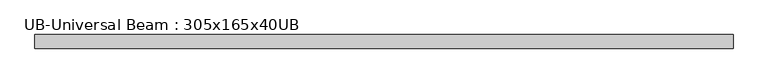
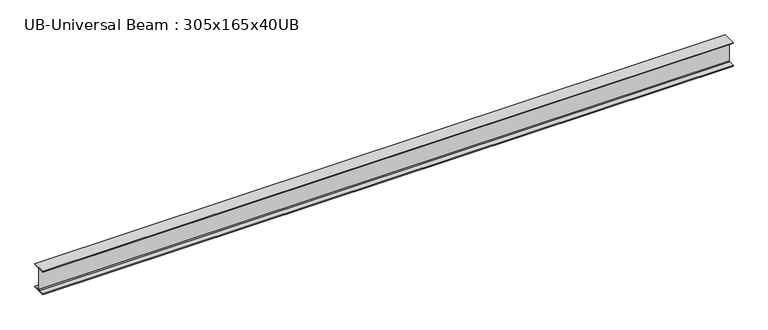
"""IFC4 building model written with IfcOpenShell, lengths in millimetres: beam geometry, UB-Universal Beam : 305x165x40UB."""

from ifc_helpers import new_model, si_unit, point, frame, frame_2d, origin, place, context, project, spatial, polyline, circle_curve, trimmed, segment, composite_curve, outline, extrude, source, transform, mapped, element, save


def ub_universal_beam_305x165x40ub_7a82d2c2(model_context):
    return source(origin(), model_context, "Body", "SweptSolid", [
        extrude(outline(composite_curve([segment(polyline([(82.5, -141.5), (82.5, -151.7), (-82.5, -151.7), (-82.5, -141.5), (-11.9, -141.5)]), True, "CONTINUOUS"), segment(trimmed(circle_curve(frame_2d((-11.9, -132.6)), 8.9), [point((-11.9, -141.5))], [point((-3.0, -132.6))], True, "CARTESIAN"), True, "CONTINUOUS"), segment(polyline([(-3.0, -132.6), (-3.0, 132.6)]), True, "CONTINUOUS"), segment(trimmed(circle_curve(frame_2d((-11.9, 132.6)), 8.9), [point((-3.0, 132.6))], [point((-11.9, 141.5))], True, "CARTESIAN"), True, "CONTINUOUS"), segment(polyline([(-11.9, 141.5), (-82.5, 141.5), (-82.5, 151.7), (82.5, 151.7), (82.5, 141.5), (11.9, 141.5)]), True, "CONTINUOUS"), segment(trimmed(circle_curve(frame_2d((11.9, 132.6)), 8.9), [point((11.9, 141.5))], [point((3.0, 132.6))], True, "CARTESIAN"), True, "CONTINUOUS"), segment(polyline([(3.0, 132.6), (3.0, -132.6)]), True, "CONTINUOUS"), segment(trimmed(circle_curve(frame_2d((11.9, -132.6)), 8.9), [point((3.0, -132.6))], [point((11.9, -141.5))], True, "CARTESIAN"), True, "CONTINUOUS"), segment(polyline([(11.9, -141.5), (82.5, -141.5)]), True, "CONTINUOUS")], self_intersect=False)), frame((-4225.0824616, 0.0, 0.0), z_axis=(1.0, 0.0, 0.0), x_axis=(0.0, 1.0, 0.0)), (0.0, 0.0, 1.0), 8457.7135358),
    ])


if __name__ == "__main__":
    model = new_model("IFC4")
    model_context = context("Model", 3, world=origin())
    ifc_project = project(units=[si_unit("LENGTHUNIT", "METRE", prefix="MILLI")], contexts=[model_context])
    site = spatial("IfcSite", under=ifc_project)
    building = spatial("IfcBuilding", under=site)
    placement = place(None, origin())
    ub_universal_beam_305x165x40ub_shape = ub_universal_beam_305x165x40ub_7a82d2c2(model_context)
    element("IfcBeam", 1, ObjectType="UB-Universal Beam : 305x165x40UB", at=placement, inside=building, context=model_context, shape_type="MappedRepresentation", body=[
        mapped(ub_universal_beam_305x165x40ub_shape, transform((0.0, 0.0, 0.0), x_axis=(1.0, 0.0, 0.0), y_axis=(0.0, 1.0, 0.0), z_axis=(0.0, 0.0, 1.0))),
    ])
    save(model, "model.ifc")
